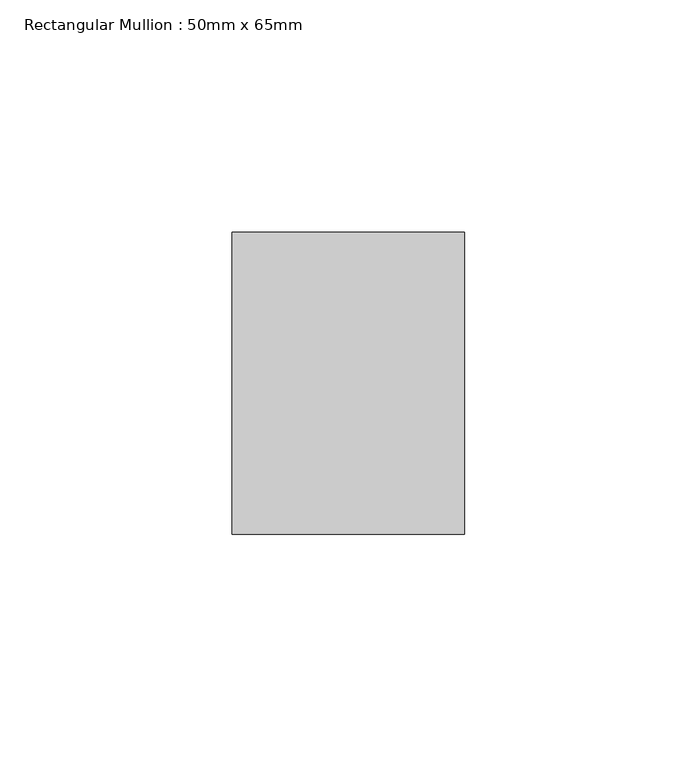
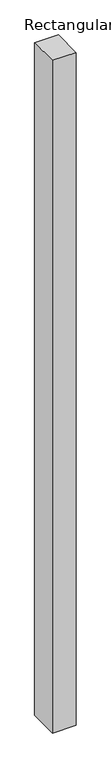
"""IFC4 building model written with IfcOpenShell, lengths in millimetres: member geometry, Rectangular Mullion : 50mm x 65mm."""

from ifc_helpers import new_model, si_unit, origin, place, context, project, spatial, faceted_brep, source, transform, mapped, element, save


def rectangular_mullion_50mm_x_65mm_2aa137b7(model_context):
    return source(origin(), model_context, "Body", "Brep", [
        faceted_brep([(-25.0, 32.5, -0.0980885), (25.0, 32.5, -0.0980891), (25.0, 32.5, -1499.816401), (-25.0, 32.5, -1499.8164025), (-25.0, -32.5, 0.0980891), (-25.0, -32.5, -1500.1835469), (25.0, -32.5, 0.0980885), (25.0, -32.5, -1500.1835455)], [[[0, 1, 2, 3]], [[4, 0, 3, 5]], [[6, 4, 5, 7]], [[1, 6, 7, 2]], [[1, 0, 4, 6]], [[2, 7, 5, 3]]]),
    ])


if __name__ == "__main__":
    model = new_model("IFC4")
    model_context = context("Model", 3, world=origin())
    ifc_project = project(units=[si_unit("LENGTHUNIT", "METRE", prefix="MILLI")], contexts=[model_context])
    site = spatial("IfcSite", under=ifc_project)
    building = spatial("IfcBuilding", under=site)
    placement = place(None, origin())
    rectangular_mullion_50mm_x_65mm_shape = rectangular_mullion_50mm_x_65mm_2aa137b7(model_context)
    element("IfcMember", 1, ObjectType="Rectangular Mullion : 50mm x 65mm", at=placement, inside=building, context=model_context, shape_type="MappedRepresentation", body=[
        mapped(rectangular_mullion_50mm_x_65mm_shape, transform((0.0, 0.0, 0.0), x_axis=(1.0, 0.0, 0.0), y_axis=(0.0, 1.0, 0.0), z_axis=(0.0, 0.0, 1.0))),
    ])
    save(model, "model.ifc")
